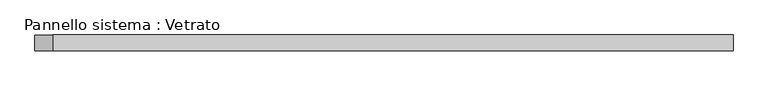
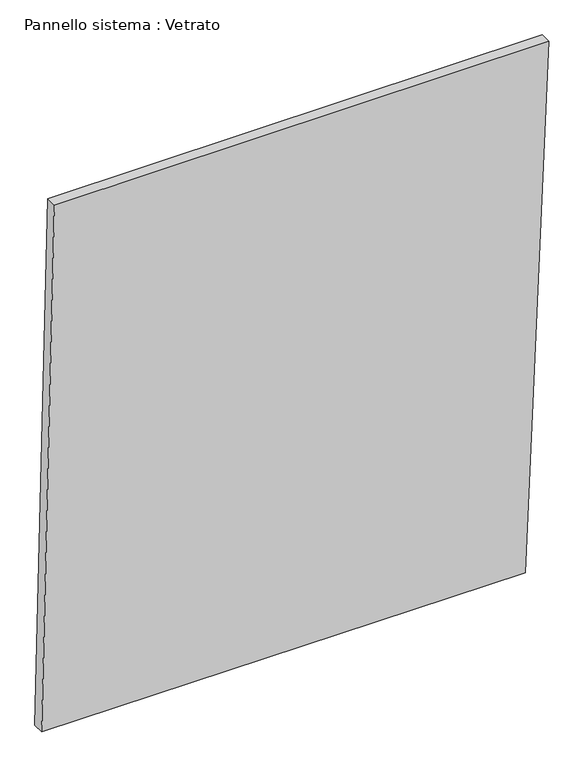
"""IFC4 building model written with IfcOpenShell, lengths in millimetres: plate geometry, Pannello sistema : Vetrato."""

from ifc_helpers import new_model, si_unit, frame, origin, place, context, project, spatial, polyline, outline, extrude, source, transform, mapped, element, save


def pannello_sistema_vetrato_59fb5164(model_context):
    return source(origin(), model_context, "Body", "SweptSolid", [
        extrude(outline(polyline([(3.6156356, -665.8529286), (0.0, 604.6603109), (1453.9296879, 665.8529286), (1453.9296879, -632.1529258), (3.6156356, -665.8529286)])), frame((0.0, -15.0, 0.0), z_axis=(0.0, 1.0, 0.0), x_axis=(0.0, 0.0, 1.0)), (0.0, 0.0, 1.0), 30.0),
    ])


if __name__ == "__main__":
    model = new_model("IFC4")
    model_context = context("Model", 3, world=origin())
    ifc_project = project(units=[si_unit("LENGTHUNIT", "METRE", prefix="MILLI")], contexts=[model_context])
    site = spatial("IfcSite", under=ifc_project)
    building = spatial("IfcBuilding", under=site)
    placement = place(None, origin())
    pannello_sistema_vetrato_shape = pannello_sistema_vetrato_59fb5164(model_context)
    element("IfcPlate", 1, ObjectType="Pannello sistema : Vetrato", at=placement, inside=building, context=model_context, shape_type="MappedRepresentation", body=[
        mapped(pannello_sistema_vetrato_shape, transform((0.0, 0.0, 0.0), x_axis=(1.0, 0.0, 0.0), y_axis=(0.0, 1.0, 0.0), z_axis=(0.0, 0.0, 1.0))),
    ])
    save(model, "model.ifc")
